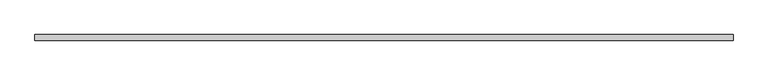
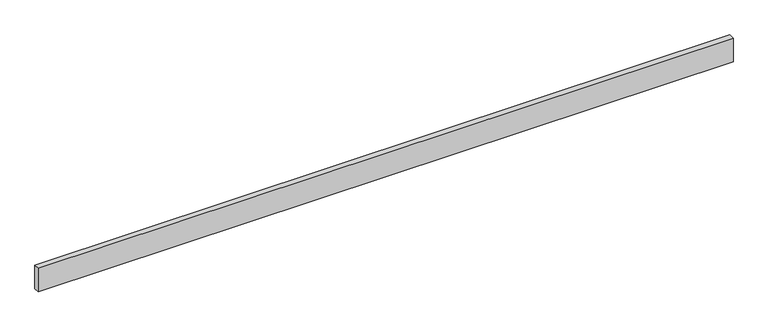
"""IFC4 building model written with IfcOpenShell, lengths in millimetres: beam geometry."""

import ifcopenshell
import ifcopenshell.guid

model = None  # the IFC model being written
_history = None  # IfcOwnerHistory: only IFC2X3 demands one
_inside = {}  # id of a spatial element -> (the spatial element, [elements in it])
_under = {}  # id of a project, library or spatial element -> (it, [spatial elements below it])
_declared = {}  # id of a project -> (the project, [libraries it declares])
_typed = {}  # id of a type object -> (the type object, [elements of that type])
_made_of = {}  # id of a material, layer set ... -> (it, [elements and type objects made of it])


def new_model(schema):
    """Start an empty IFC model of exactly this schema.

    Asked for "IFC4X3", IfcOpenShell would pick the latest addendum, in which some entities
    have other attributes; the version numbers below select the first issue.
    IFC2X3 requires an IfcOwnerHistory on every rooted entity: one is made here for all.
    """
    global model, _history
    if schema == "IFC4X3":
        model = ifcopenshell.file(schema_version=(4, 3, 0, 0))
    else:
        model = ifcopenshell.file(schema=schema)
    _inside.clear()
    _under.clear()
    _declared.clear()
    _typed.clear()
    _made_of.clear()
    _history = None
    if model.schema == "IFC2X3":
        org = make("IfcOrganization", Name="unknown")
        user = make(
            "IfcPersonAndOrganization",
            ThePerson=make("IfcPerson", FamilyName="unknown"),
            TheOrganization=org,
        )
        app = make(
            "IfcApplication",
            ApplicationDeveloper=org,
            Version="unknown",
            ApplicationFullName="unknown",
            ApplicationIdentifier="unknown",
        )
        _history = make(
            "IfcOwnerHistory",
            OwningUser=user,
            OwningApplication=app,
            ChangeAction="ADDED",
            CreationDate=0,
        )
    return model


def make(cls, **values):
    """One entity of the class cls with the attributes given. An attribute that is None is left unset."""
    return model.create_entity(
        cls, **{name: value for name, value in values.items() if value is not None}
    )


def rooted(cls, **values):
    """An entity with a GlobalId (a new one), such as an element, a storey or a relation."""
    return make(cls, GlobalId=ifcopenshell.guid.new(), OwnerHistory=_history, **values)


def si_unit(unit_type, name, prefix=None):
    """IfcSIUnit, for example si_unit("LENGTHUNIT", "METRE", prefix="MILLI")."""
    return make("IfcSIUnit", UnitType=unit_type, Prefix=prefix, Name=name)


def assignment(units):
    """IfcUnitAssignment: the units of a project."""
    return None if units is None else make("IfcUnitAssignment", Units=units)


def point(xyz):
    """IfcCartesianPoint."""
    return None if xyz is None else make("IfcCartesianPoint", Coordinates=xyz)


def direction(xyz):
    """IfcDirection."""
    return None if xyz is None else make("IfcDirection", DirectionRatios=xyz)


def frame(location, z_axis=None, x_axis=None):
    """IfcAxis2Placement3D, a coordinate frame: its origin and axes. An axis left out is left unset."""
    return make(
        "IfcAxis2Placement3D",
        Location=point(location),
        Axis=direction(z_axis),
        RefDirection=direction(x_axis),
    )


def origin():
    """The frame at (0, 0, 0) with its axes left unset."""
    return frame((0.0, 0.0, 0.0))


def place(relative_to, where):
    """IfcLocalPlacement: puts the frame where relative to a parent placement (None: the world)."""
    return make(
        "IfcLocalPlacement", PlacementRelTo=relative_to, RelativePlacement=where
    )


def context(
    kind, dimensions, precision=None, world=None, true_north=None, identifier=None
):
    """IfcGeometricRepresentationContext, for example the 3D "Model" context."""
    return make(
        "IfcGeometricRepresentationContext",
        ContextIdentifier=identifier,
        ContextType=kind,
        CoordinateSpaceDimension=dimensions,
        Precision=precision,
        WorldCoordinateSystem=world,
        TrueNorth=true_north,
    )


def project(units=None, contexts=None):
    """IfcProject with its units and contexts."""
    return rooted(
        "IfcProject",
        Name="project",
        RepresentationContexts=contexts,
        UnitsInContext=assignment(units),
    )


def spatial(cls, under=None, at=None, **own):
    """A site, building, storey or space (cls), placed at a placement, below another one or the project."""
    s = rooted(cls, ObjectPlacement=at, **own)
    if under is not None:
        _under.setdefault(under.id(), (under, []))[1].append(s)
    return s


def polyline(points):
    """IfcPolyline through the points."""
    return make("IfcPolyline", Points=[point(p) for p in points])


def outline(outer, holes=None, kind="AREA"):
    """IfcArbitraryClosedProfileDef: a profile drawn as a closed curve; with holes, ...WithVoids."""
    if holes is None:
        return make("IfcArbitraryClosedProfileDef", ProfileType=kind, OuterCurve=outer)
    return make(
        "IfcArbitraryProfileDefWithVoids",
        ProfileType=kind,
        OuterCurve=outer,
        InnerCurves=holes,
    )


def extrude(swept, where, along, depth):
    """IfcExtrudedAreaSolid: the profile swept, set in the frame where, extruded along a direction by depth."""
    return make(
        "IfcExtrudedAreaSolid",
        SweptArea=swept,
        Position=where,
        ExtrudedDirection=direction(along),
        Depth=depth,
    )


def shape(context_of_items, identifier, shape_type, items):
    """IfcShapeRepresentation: the items that make up one representation, for example the "Body"."""
    return make(
        "IfcShapeRepresentation",
        ContextOfItems=context_of_items,
        RepresentationIdentifier=identifier,
        RepresentationType=shape_type,
        Items=items,
    )


def source(mapping_origin, context_of_items, identifier, shape_type, items):
    """IfcRepresentationMap: a shape defined once, which mapped items show again and again."""
    return make(
        "IfcRepresentationMap",
        MappingOrigin=mapping_origin,
        MappedRepresentation=shape(context_of_items, identifier, shape_type, items),
    )


def transform(
    local_origin,
    x_axis=None,
    y_axis=None,
    z_axis=None,
    scale=None,
    scale2=None,
    scale3=None,
    uniform=True,
):
    """IfcCartesianTransformationOperator3D, or its non-uniform kind. x_axis, y_axis, z_axis: its Axis1, 2, 3."""
    if uniform:
        return make(
            "IfcCartesianTransformationOperator3D",
            Axis1=direction(x_axis),
            Axis2=direction(y_axis),
            LocalOrigin=point(local_origin),
            Scale=scale,
            Axis3=direction(z_axis),
        )
    return make(
        "IfcCartesianTransformationOperator3DnonUniform",
        Axis1=direction(x_axis),
        Axis2=direction(y_axis),
        LocalOrigin=point(local_origin),
        Scale=scale,
        Axis3=direction(z_axis),
        Scale2=scale2,
        Scale3=scale3,
    )


def mapped(mapping_source, mapping_target):
    """IfcMappedItem: shows the shape of a source again, moved by a transform."""
    return make(
        "IfcMappedItem", MappingSource=mapping_source, MappingTarget=mapping_target
    )


def made_of(thing, what):
    """Note that an element or type object is made of a material, layer set ...; save() writes the relation."""
    if what is not None:
        _made_of.setdefault(what.id(), (what, []))[1].append(thing)
    return thing


def element(
    cls,
    number,
    at=None,
    inside=None,
    cuts=None,
    type_object=None,
    material=None,
    context=None,
    identifier="Body",
    shape_type=None,
    held_by="IfcProductDefinitionShape",
    body=None,
    shapes=None,
    **own,
):
    """One element of the class cls, such as IfcWall. Its Tag is "e" and its number.

    at: its placement. inside: the storey or other place that contains it. cuts: it is an
    opening in that element (IfcRelVoidsElement). A single representation is given by context,
    identifier, shape_type and body (its items); several are given by shapes. held_by: the class
    of the entity that holds the representations. save() writes the other relations.
    """
    e = rooted(cls, Tag="e%d" % number, ObjectPlacement=at, **own)
    if body is not None:
        shapes = [shape(context, identifier, shape_type, body)]
    if shapes is not None:
        e.Representation = make(held_by, Representations=shapes)
    if inside is not None:
        _inside.setdefault(inside.id(), (inside, []))[1].append(e)
    if cuts is not None:
        rooted(
            "IfcRelVoidsElement", RelatingBuildingElement=cuts, RelatedOpeningElement=e
        )
    if type_object is not None:
        _typed.setdefault(type_object.id(), (type_object, []))[1].append(e)
    return made_of(e, material)


def aggregate(whole, parts):
    """IfcRelAggregates: a whole, such as a stair, and the parts it consists of."""
    return rooted("IfcRelAggregates", RelatingObject=whole, RelatedObjects=parts)


def save(model, path):
    """Write the relations noted so far, then the file.

    IfcRelAggregates (storeys below a building ...), IfcRelContainedInSpatialStructure (elements
    in a storey), IfcRelDefinesByType, IfcRelAssociatesMaterial and IfcRelDeclares: one each for
    every whole, place, type object, material and project.
    """
    for whole, parts in _under.values():
        aggregate(whole, parts)
    for where, things in _inside.values():
        rooted(
            "IfcRelContainedInSpatialStructure",
            RelatedElements=things,
            RelatingStructure=where,
        )
    for kind, things in _typed.values():
        rooted("IfcRelDefinesByType", RelatedObjects=things, RelatingType=kind)
    for what, things in _made_of.values():
        rooted("IfcRelAssociatesMaterial", RelatedObjects=things, RelatingMaterial=what)
    for by, libraries in _declared.values():
        rooted("IfcRelDeclares", RelatingContext=by, RelatedDefinitions=libraries)
    model.write(path)


def beam_ed365165(model_context):
    return source(origin(), model_context, "Body", "SweptSolid", [
        extrude(outline(polyline([(-2774.4, 22.5), (2774.4, 22.5), (2774.4, -22.5), (-2774.4, -22.5), (-2774.4, 22.5)])), frame((0.0, 0.0, -100.0), z_axis=(0.0, 0.0, 1.0), x_axis=(1.0, 0.0, 0.0)), (0.0, 0.0, 1.0), 200.0),
    ])


if __name__ == "__main__":
    model = new_model("IFC4")
    model_context = context("Model", 3, world=origin())
    ifc_project = project(units=[si_unit("LENGTHUNIT", "METRE", prefix="MILLI")], contexts=[model_context])
    site = spatial("IfcSite", under=ifc_project)
    building = spatial("IfcBuilding", under=site)
    placement = place(None, origin())
    beam_shape = beam_ed365165(model_context)
    element("IfcBeam", 1, at=placement, inside=building, context=model_context, shape_type="MappedRepresentation", body=[
        mapped(beam_shape, transform((0.0, 0.0, 0.0), x_axis=(1.0, 0.0, 0.0), y_axis=(0.0, 1.0, 0.0), z_axis=(0.0, 0.0, 1.0))),
    ])
    save(model, "model.ifc")
